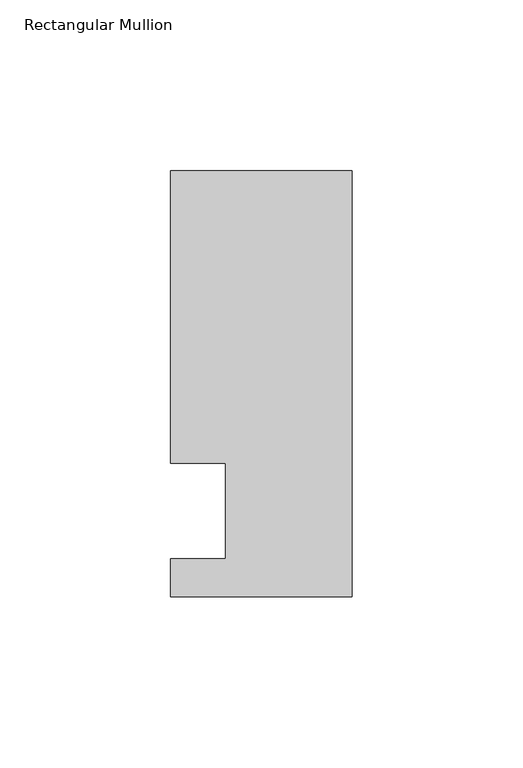
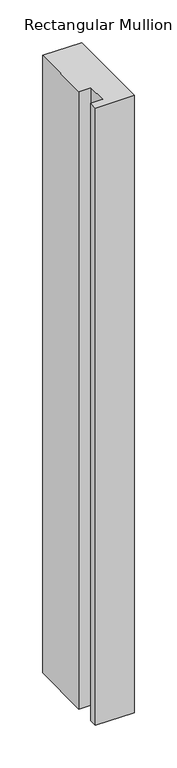
"""IFC4 building model written with IfcOpenShell, lengths in millimetres: member geometry, Rectangular Mullion."""

from ifc_helpers import new_model, si_unit, frame, origin, place, context, project, spatial, polyline, outline, extrude, source, transform, mapped, element, save


def rectangular_mullion_d73fcf82(model_context):
    return source(origin(), model_context, "Body", "SweptSolid", [
        extrude(outline(polyline([(0.0, -25.0), (-53.0, -25.0), (-53.0, -14.0), (-37.0, -14.0), (-37.0, 14.0), (-53.0, 14.0), (-53.0, 99.5), (0.0, 99.5), (0.0, -25.0)])), frame((0.0, 0.0, -886.4904905), z_axis=(0.0, 0.0, 1.0), x_axis=(1.0, 0.0, 0.0)), (0.0, 0.0, 1.0), 886.4904905),
    ])


if __name__ == "__main__":
    model = new_model("IFC4")
    model_context = context("Model", 3, world=origin())
    ifc_project = project(units=[si_unit("LENGTHUNIT", "METRE", prefix="MILLI")], contexts=[model_context])
    site = spatial("IfcSite", under=ifc_project)
    building = spatial("IfcBuilding", under=site)
    placement = place(None, origin())
    rectangular_mullion_shape = rectangular_mullion_d73fcf82(model_context)
    element("IfcMember", 1, ObjectType="Rectangular Mullion", at=placement, inside=building, context=model_context, shape_type="MappedRepresentation", body=[
        mapped(rectangular_mullion_shape, transform((0.0, 0.0, 0.0), x_axis=(1.0, 0.0, 0.0), y_axis=(0.0, 1.0, 0.0), z_axis=(0.0, 0.0, 1.0))),
    ])
    save(model, "model.ifc")
